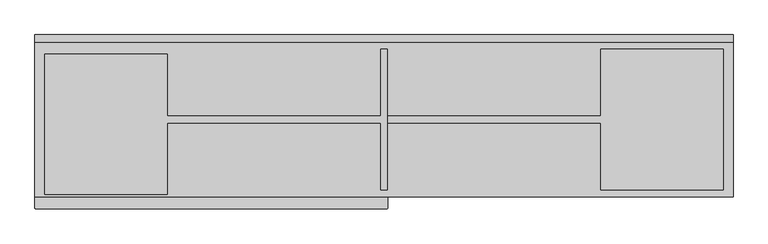
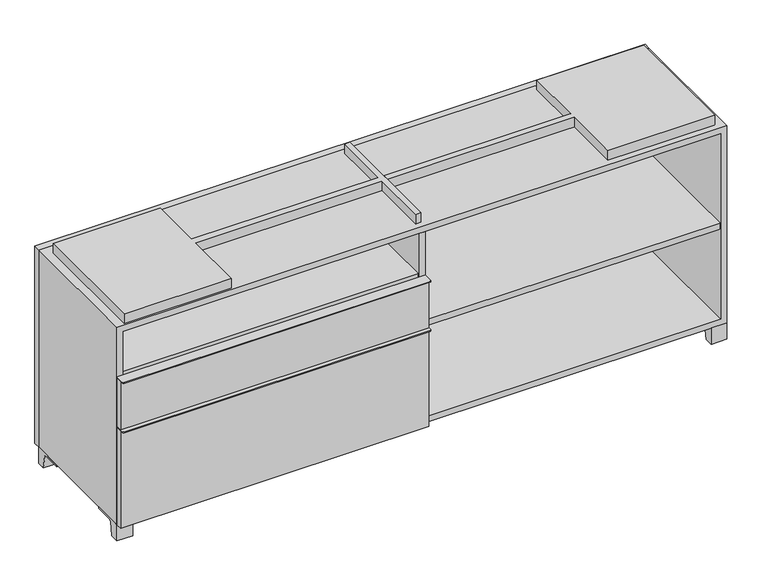
"""IFC4 building model written with IfcOpenShell, lengths in millimetres: furniture geometry."""

from ifc_helpers import new_model, si_unit, point, frame, frame_2d, origin, place, context, project, spatial, polyline, circle_curve, trimmed, segment, composite_curve, outline, extrude, source, transform, mapped, element, save


def furniture_8a4e19fb(model_context):
    return source(origin(), model_context, "Body", "SweptSolid", [
        extrude(outline(polyline([(-9.5111094, 234.95), (-9.5111094, -136.525), (-895.3361094, -136.525), (-895.3361094, 234.95), (-9.5111094, 234.95)])), frame((0.0, 0.0, 510.38125), z_axis=(0.0, 0.0, 1.0), x_axis=(1.0, 0.0, 0.0)), (0.0, 0.0, 1.0), 19.05),
        extrude(outline(composite_curve([segment(polyline([(9.5388906, -139.7), (9.5388906, -168.275)]), True, "CONTINUOUS"), segment(trimmed(circle_curve(frame_2d((6.3638906, -168.275)), 3.175), [point((9.5388906, -168.275))], [point((6.3638906, -171.45))], False, "CARTESIAN"), True, "CONTINUOUS"), segment(polyline([(6.3638906, -171.45), (-911.2111094, -171.45)]), True, "CONTINUOUS"), segment(trimmed(circle_curve(frame_2d((-911.2111094, -168.275)), 3.175), [point((-911.2111094, -171.45))], [point((-914.3861094, -168.275))], False, "CARTESIAN"), True, "CONTINUOUS"), segment(polyline([(-914.3861094, -168.275), (-914.3861094, -139.7), (9.5388906, -139.7)]), True, "CONTINUOUS")], self_intersect=False)), frame((0.0, 0.0, 517.525), z_axis=(0.0, 0.0, 1.0), x_axis=(1.0, 0.0, 0.0)), (0.0, 0.0, 1.0), 2.38125),
        extrude(outline(polyline([(9.5388906, -139.7), (9.5388906, -158.75), (-914.3861094, -158.75), (-914.3861094, -139.7), (9.5388906, -139.7)])), frame((0.0, 0.0, 363.5375), z_axis=(0.0, 0.0, 1.0), x_axis=(1.0, 0.0, 0.0)), (0.0, 0.0, 1.0), 153.9875),
        extrude(outline(composite_curve([segment(polyline([(9.5388906, -139.7), (9.5388906, -168.275)]), True, "CONTINUOUS"), segment(trimmed(circle_curve(frame_2d((6.3638906, -168.275)), 3.175), [point((9.5388906, -168.275))], [point((6.3638906, -171.45))], False, "CARTESIAN"), True, "CONTINUOUS"), segment(polyline([(6.3638906, -171.45), (-911.2111094, -171.45)]), True, "CONTINUOUS"), segment(trimmed(circle_curve(frame_2d((-911.2111094, -168.275)), 3.175), [point((-911.2111094, -171.45))], [point((-914.3861094, -168.275))], False, "CARTESIAN"), True, "CONTINUOUS"), segment(polyline([(-914.3861094, -168.275), (-914.3861094, -139.7), (9.5388906, -139.7)]), True, "CONTINUOUS")], self_intersect=False)), frame((0.0, 0.0, 361.15625), z_axis=(0.0, 0.0, 1.0), x_axis=(1.0, 0.0, 0.0)), (0.0, 0.0, 1.0), 2.38125),
        extrude(outline(polyline([(9.5388906, -139.7), (9.5388906, -158.75), (-914.3861094, -158.75), (-914.3861094, -139.7), (9.5388906, -139.7)])), frame((0.0, 0.0, 50.8), z_axis=(0.0, 0.0, 1.0), x_axis=(1.0, 0.0, 0.0)), (0.0, 0.0, 1.0), 310.35625),
        extrude(outline(polyline([(895.3569453, 234.95), (895.3569453, -136.525), (9.5319453, -136.525), (9.5319453, 234.95), (895.3569453, 234.95)])), frame((0.0, 0.0, 354.0125), z_axis=(0.0, 0.0, 1.0), x_axis=(1.0, 0.0, 0.0)), (0.0, 0.0, 1.0), 19.05),
        extrude(outline(composite_curve([segment(polyline([(53.9749864, 0.0), (28.575, 0.0), (28.575, 50.8), (123.825, 50.8), (123.825, 46.0213321), (67.0244655, 46.0213321)]), True, "CONTINUOUS"), segment(trimmed(circle_curve(frame_2d((67.0244655, 39.6713321)), 6.35), [point((67.0244655, 46.0213321))], [point((60.7608641, 40.7152656))], True, "CARTESIAN"), True, "CONTINUOUS"), segment(polyline([(60.7608641, 40.7152656), (53.9749864, 0.0)]), True, "CONTINUOUS")], self_intersect=False)), frame((-23.7986094, 0.0, 0.0), z_axis=(1.0, 0.0, 0.0), x_axis=(0.0, 1.0, 0.0)), (0.0, 0.0, 1.0), 47.625),
        extrude(outline(composite_curve([segment(polyline([(-114.3000136, 0.0), (-139.7, 0.0), (-139.7, 50.8), (-44.45, 50.8), (-44.45, 46.0213321), (-101.2505345, 46.0213321)]), True, "CONTINUOUS"), segment(trimmed(circle_curve(frame_2d((-101.2505345, 39.6713321)), 6.35), [point((-101.2505345, 46.0213321))], [point((-107.5141359, 40.7152656))], True, "CARTESIAN"), True, "CONTINUOUS"), segment(polyline([(-107.5141359, 40.7152656), (-114.3000136, 0.0)]), True, "CONTINUOUS")], self_intersect=False)), frame((866.7888906, 0.0, 0.0), z_axis=(1.0, 0.0, 0.0), x_axis=(0.0, 1.0, 0.0)), (0.0, 0.0, 1.0), 47.625),
        extrude(outline(composite_curve([segment(polyline([(241.3000136, 0.0), (234.5141359, 40.7152656)]), True, "CONTINUOUS"), segment(trimmed(circle_curve(frame_2d((228.2505345, 39.6713321)), 6.35), [point((234.5141359, 40.7152656))], [point((228.2505345, 46.0213321))], True, "CARTESIAN"), True, "CONTINUOUS"), segment(polyline([(228.2505345, 46.0213321), (171.45, 46.0213321), (171.45, 50.8), (266.7, 50.8), (266.7, 0.0), (241.3000136, 0.0)]), True, "CONTINUOUS")], self_intersect=False)), frame((866.7888906, 0.0, 0.0), z_axis=(1.0, 0.0, 0.0), x_axis=(0.0, 1.0, 0.0)), (0.0, 0.0, 1.0), 47.625),
        extrude(outline(composite_curve([segment(polyline([(-114.3000136, 0.0), (-139.7, 0.0), (-139.7, 50.8), (-44.45, 50.8), (-44.45, 46.0213321), (-101.2505345, 46.0213321)]), True, "CONTINUOUS"), segment(trimmed(circle_curve(frame_2d((-101.2505345, 39.6713321)), 6.35), [point((-101.2505345, 46.0213321))], [point((-107.5141359, 40.7152656))], True, "CARTESIAN"), True, "CONTINUOUS"), segment(polyline([(-107.5141359, 40.7152656), (-114.3000136, 0.0)]), True, "CONTINUOUS")], self_intersect=False)), frame((-914.3861094, 0.0, 0.0), z_axis=(1.0, 0.0, 0.0), x_axis=(0.0, 1.0, 0.0)), (0.0, 0.0, 1.0), 47.625),
        extrude(outline(composite_curve([segment(polyline([(241.3000136, 0.0), (234.5141359, 40.7152656)]), True, "CONTINUOUS"), segment(trimmed(circle_curve(frame_2d((228.2505345, 39.6713321)), 6.35), [point((234.5141359, 40.7152656))], [point((228.2505345, 46.0213321))], True, "CARTESIAN"), True, "CONTINUOUS"), segment(polyline([(228.2505345, 46.0213321), (171.45, 46.0213321), (171.45, 50.8), (266.7, 50.8), (266.7, 0.0), (241.3000136, 0.0)]), True, "CONTINUOUS")], self_intersect=False)), frame((-914.3861094, 0.0, 0.0), z_axis=(1.0, 0.0, 0.0), x_axis=(0.0, 1.0, 0.0)), (0.0, 0.0, 1.0), 47.625),
        extrude(outline(polyline([(-888.9791641, -133.35), (-888.9791641, 234.95), (-568.3041641, 234.95), (-568.3041641, 73.025), (-7.9236094, 73.025), (-7.9236094, 247.65), (7.9513906, 247.65), (7.9513906, -120.65), (-7.9236094, -120.65), (-7.9236094, 53.975), (-568.3041641, 53.975), (-568.3041641, -133.35), (-888.9791641, -133.35)])), frame((0.0, 0.0, 676.275), z_axis=(0.0, 0.0, 1.0), x_axis=(1.0, 0.0, 0.0)), (0.0, 0.0, 1.0), 30.1625),
        extrude(outline(polyline([(9.5388906, 73.025), (568.3111094, 73.025), (568.3111094, 247.65), (888.9861094, 247.65), (888.9861094, -120.65), (568.3111094, -120.65), (568.3111094, 53.975), (9.5388906, 53.975), (9.5388906, 73.025)])), frame((0.0, 0.0, 676.275), z_axis=(0.0, 0.0, 1.0), x_axis=(1.0, 0.0, 0.0)), (0.0, 0.0, 1.0), 30.1625),
        extrude(outline(polyline([(9.5388906, 234.95), (9.5388906, -139.7), (-9.5111094, -139.7), (-9.5111094, 234.95), (9.5388906, 234.95)])), frame((0.0, 0.0, 69.85), z_axis=(0.0, 0.0, 1.0), x_axis=(1.0, 0.0, 0.0)), (0.0, 0.0, 1.0), 587.375),
        extrude(outline(polyline([(914.4138906, 266.7), (-914.3861094, 266.7), (-914.3861094, 285.75), (914.4138906, 285.75), (914.4138906, 266.7)])), frame((0.0, 0.0, 50.8), z_axis=(0.0, 0.0, 1.0), x_axis=(1.0, 0.0, 0.0)), (0.0, 0.0, 1.0), 625.475),
        extrude(outline(polyline([(50.8, -914.3861094), (50.8, 914.4), (676.275, 914.4), (676.275, -914.3861094), (50.8, -914.3861094)]), holes=[polyline([(69.85, -895.3361094), (657.225, -895.3361094), (657.225, 895.3361094), (69.85, 895.3361094), (69.85, -895.3361094)])]), frame((0.0, -139.7, 0.0), z_axis=(0.0, 1.0, 0.0), x_axis=(0.0, 0.0, 1.0)), (0.0, 0.0, 1.0), 406.4),
        extrude(outline(polyline([(-895.3291641, 234.95), (-895.3291641, 241.3), (895.3569453, 241.3), (895.3569453, 234.95), (-895.3291641, 234.95)])), frame((0.0, 0.0, 69.85), z_axis=(0.0, 0.0, 1.0), x_axis=(1.0, 0.0, 0.0)), (0.0, 0.0, 1.0), 587.375),
    ])


if __name__ == "__main__":
    model = new_model("IFC4")
    model_context = context("Model", 3, world=origin())
    ifc_project = project(units=[si_unit("LENGTHUNIT", "METRE", prefix="MILLI")], contexts=[model_context])
    site = spatial("IfcSite", under=ifc_project)
    building = spatial("IfcBuilding", under=site)
    placement = place(None, origin())
    furniture_shape = furniture_8a4e19fb(model_context)
    element("IfcFurniture", 1, at=placement, inside=building, context=model_context, shape_type="MappedRepresentation", body=[
        mapped(furniture_shape, transform((0.0, 0.0, 0.0), x_axis=(1.0, 0.0, 0.0), y_axis=(0.0, 1.0, 0.0), z_axis=(0.0, 0.0, 1.0))),
    ])
    save(model, "model.ifc")
